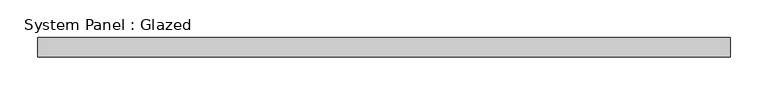
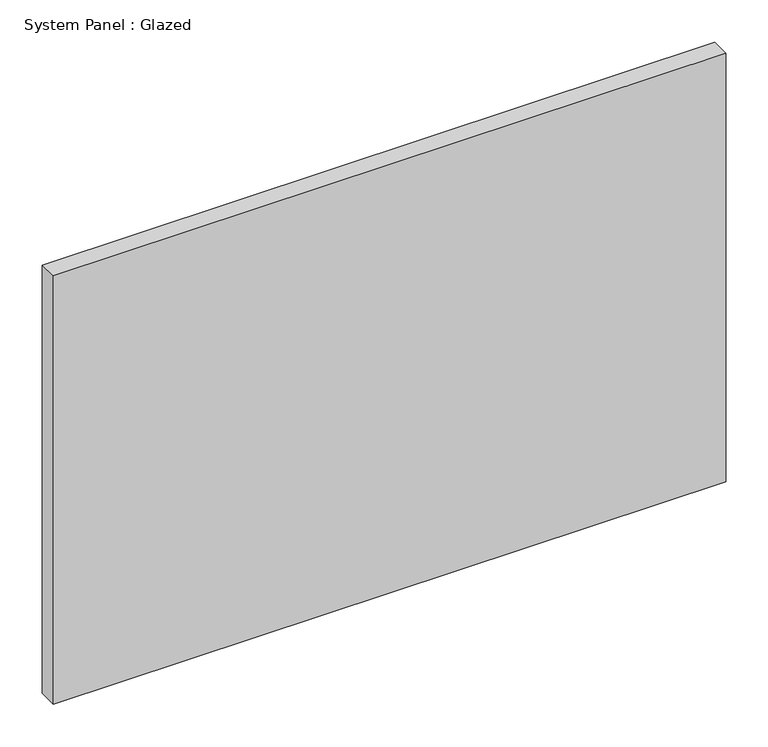
"""IFC4 building model written with IfcOpenShell, lengths in millimetres: plate geometry, System Panel : Glazed."""

from ifc_helpers import new_model, si_unit, origin, origin_with_axes, place, context, project, spatial, polyline, outline, extrude, source, transform, mapped, element, save


def system_panel_glazed_7d1a27c5(model_context):
    return source(origin(), model_context, "Body", "SweptSolid", [
        extrude(outline(polyline([(457.2, 19.05), (-457.2, 19.05), (-457.2, 44.45), (457.2, 44.45), (457.2, 19.05)])), origin_with_axes(), (0.0, 0.0, 1.0), 615.95),
    ])


if __name__ == "__main__":
    model = new_model("IFC4")
    model_context = context("Model", 3, world=origin())
    ifc_project = project(units=[si_unit("LENGTHUNIT", "METRE", prefix="MILLI")], contexts=[model_context])
    site = spatial("IfcSite", under=ifc_project)
    building = spatial("IfcBuilding", under=site)
    placement = place(None, origin())
    system_panel_glazed_shape = system_panel_glazed_7d1a27c5(model_context)
    element("IfcPlate", 1, ObjectType="System Panel : Glazed", at=placement, inside=building, context=model_context, shape_type="MappedRepresentation", body=[
        mapped(system_panel_glazed_shape, transform((0.0, 0.0, 0.0), x_axis=(1.0, 0.0, 0.0), y_axis=(0.0, 1.0, 0.0), z_axis=(0.0, 0.0, 1.0))),
    ])
    save(model, "model.ifc")
